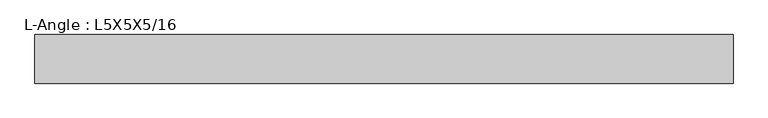
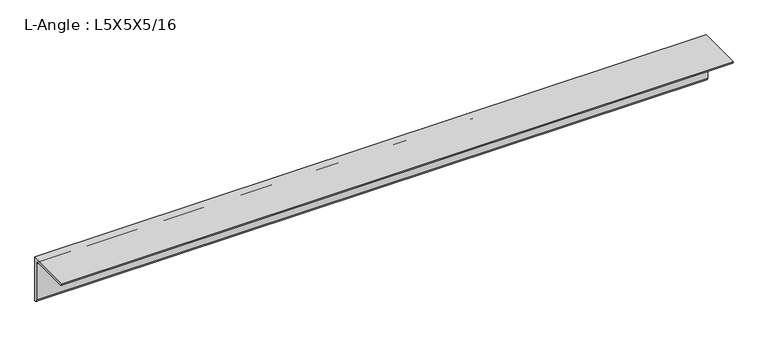
"""IFC4 building model written with IfcOpenShell, lengths in millimetres: beam geometry, L-Angle : L5X5X5/16."""

from ifc_helpers import new_model, si_unit, point, frame, frame_2d, origin, place, context, project, spatial, polyline, circle_curve, trimmed, segment, composite_curve, outline, extrude, source, transform, mapped, element, save


def l_angle_l5x5x5_16_0a9979f4(model_context):
    return source(origin(), model_context, "Body", "SweptSolid", [
        extrude(outline(composite_curve([segment(polyline([(34.3296875, 34.3296875), (34.3296875, -92.6703125)]), True, "CONTINUOUS"), segment(trimmed(circle_curve(frame_2d((34.3296875, -84.7328125)), 7.9375), [point((34.3296875, -92.6703125))], [point((26.3921875, -84.7328125))], False, "CARTESIAN"), True, "CONTINUOUS"), segment(polyline([(26.3921875, -84.7328125), (26.3921875, 18.4546875)]), True, "CONTINUOUS"), segment(trimmed(circle_curve(frame_2d((18.4546875, 18.4546875)), 7.9375), [point((26.3921875, 18.4546875))], [point((18.4546875, 26.3921875))], True, "CARTESIAN"), True, "CONTINUOUS"), segment(polyline([(18.4546875, 26.3921875), (-84.7328125, 26.3921875)]), True, "CONTINUOUS"), segment(trimmed(circle_curve(frame_2d((-84.7328125, 34.3296875)), 7.9375), [point((-84.7328125, 26.3921875))], [point((-92.6703125, 34.3296875))], False, "CARTESIAN"), True, "CONTINUOUS"), segment(polyline([(-92.6703125, 34.3296875), (34.3296875, 34.3296875)]), True, "CONTINUOUS")], self_intersect=False)), frame((-894.6058594, 0.0, 0.0), z_axis=(1.0, 0.0, 0.0), x_axis=(0.0, 1.0, 0.0)), (0.0, 0.0, 1.0), 1822.2019531),
    ])


if __name__ == "__main__":
    model = new_model("IFC4")
    model_context = context("Model", 3, world=origin())
    ifc_project = project(units=[si_unit("LENGTHUNIT", "METRE", prefix="MILLI")], contexts=[model_context])
    site = spatial("IfcSite", under=ifc_project)
    building = spatial("IfcBuilding", under=site)
    placement = place(None, origin())
    l_angle_l5x5x5_16_shape = l_angle_l5x5x5_16_0a9979f4(model_context)
    element("IfcBeam", 1, ObjectType="L-Angle : L5X5X5/16", at=placement, inside=building, context=model_context, shape_type="MappedRepresentation", body=[
        mapped(l_angle_l5x5x5_16_shape, transform((0.0, 0.0, 0.0), x_axis=(1.0, 0.0, 0.0), y_axis=(0.0, 1.0, 0.0), z_axis=(0.0, 0.0, 1.0))),
    ])
    save(model, "model.ifc")
